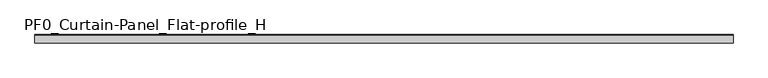
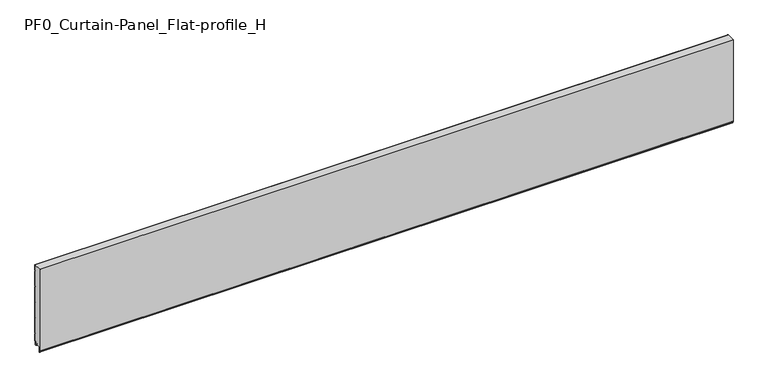
"""IFC4 building model written with IfcOpenShell, lengths in millimetres: plate geometry, PF0_Curtain-Panel_Flat-profile_H."""

from ifc_helpers import new_model, si_unit, point, frame, frame_2d, origin, place, context, project, spatial, polyline, circle_curve, trimmed, segment, composite_curve, outline, extrude, source, transform, mapped, element, save


def pf0_curtain_panel_flat_profile_h_b725378d(model_context):
    return source(origin(), model_context, "Body", "SweptSolid", [
        extrude(outline(composite_curve([segment(polyline([(-15.878557, 0.0), (-20.0, 0.0), (-20.0, 0.8), (-15.878557, 0.8)]), True, "CONTINUOUS"), segment(trimmed(circle_curve(frame_2d((-15.878557, -2.0)), 2.8), [point((-15.878557, 0.8))], [point((-13.1503208, -1.370137))], False, "CARTESIAN"), True, "CONTINUOUS"), segment(polyline([(-13.1503208, -1.370137), (-11.728236, -7.529863)]), True, "CONTINUOUS"), segment(trimmed(circle_curve(frame_2d((-9.0, -6.9)), 2.8), [point((-11.728236, -7.529863))], [point((-6.2, -6.9))], True, "CARTESIAN"), True, "CONTINUOUS"), segment(polyline([(-6.2, -6.9), (-6.2, 8.6)]), True, "CONTINUOUS"), segment(trimmed(circle_curve(frame_2d((-3.4, 8.6)), 2.8), [point((-6.2, 8.6))], [point((-3.4, 11.4))], False, "CARTESIAN"), True, "CONTINUOUS"), segment(polyline([(-3.4, 11.4), (-2.0, 11.4)]), True, "CONTINUOUS"), segment(trimmed(circle_curve(frame_2d((-2.0, 12.6)), 1.2), [point((-2.0, 11.4))], [point((-0.8, 12.6))], True, "CARTESIAN"), True, "CONTINUOUS"), segment(polyline([(-0.8, 12.6), (-0.8, 57.6856412), (-2.482606, 60.6), (-0.8, 63.5143588), (-0.8, 157.6856412), (-2.482606, 160.6), (-0.8, 163.5143588), (-0.8, 257.6856412), (-2.482606, 260.6), (-0.8, 263.5143588), (-0.8, 357.6856412), (-2.482606, 360.6), (-0.8, 363.5143588), (-0.8, 457.6856412), (-2.482606, 460.6), (-0.8, 463.5143588), (-0.8, 500.0), (0.0, 500.0), (0.0, 463.2999995), (-1.5588455, 460.6), (0.0, 457.9000005), (0.0, 363.2999995), (-1.5588455, 360.6), (0.0, 357.9000005), (0.0, 263.2999995), (-1.5588455, 260.6), (0.0, 257.9000005), (0.0, 163.2999995), (-1.5588455, 160.6), (0.0, 157.9000005), (0.0, 63.2999995), (-1.5588455, 60.6), (0.0, 57.9000005), (0.0, 12.6)]), True, "CONTINUOUS"), segment(trimmed(circle_curve(frame_2d((-2.0, 12.6)), 2.0), [point((0.0, 12.6))], [point((-2.0, 10.6))], False, "CARTESIAN"), True, "CONTINUOUS"), segment(polyline([(-2.0, 10.6), (-3.4, 10.6)]), True, "CONTINUOUS"), segment(trimmed(circle_curve(frame_2d((-3.4, 8.6)), 2.0), [point((-3.4, 10.6))], [point((-5.4, 8.6))], True, "CARTESIAN"), True, "CONTINUOUS"), segment(polyline([(-5.4, 8.6), (-5.4, -6.9)]), True, "CONTINUOUS"), segment(trimmed(circle_curve(frame_2d((-9.0, -6.9)), 3.6), [point((-5.4, -6.9))], [point((-12.5077322, -7.7098239))], False, "CARTESIAN"), True, "CONTINUOUS"), segment(polyline([(-12.5077322, -7.7098239), (-13.929817, -1.5500979)]), True, "CONTINUOUS"), segment(trimmed(circle_curve(frame_2d((-15.878557, -2.0)), 2.0), [point((-13.929817, -1.5500979))], [point((-15.878557, 0.0))], True, "CARTESIAN"), True, "CONTINUOUS")], self_intersect=False)), frame((-2100.0119739, 0.0, 0.0), z_axis=(1.0, 0.0, 0.0), x_axis=(0.0, 1.0, 0.0)), (0.0, 0.0, 1.0), 4200.0239479),
        extrude(outline(composite_curve([segment(polyline([(-40.0, 0.8), (-43.5, 0.8)]), True, "CONTINUOUS"), segment(trimmed(circle_curve(frame_2d((-43.5, -2.0)), 2.8), [point((-43.5, 0.8))], [point((-46.3, -2.0))], True, "CARTESIAN"), True, "CONTINUOUS"), segment(polyline([(-46.3, -2.0), (-46.3, -32.8700312)]), True, "CONTINUOUS"), segment(trimmed(circle_curve(frame_2d((-46.6, -32.8700312)), 0.3), [point((-46.3, -32.8700312))], [point((-46.9, -32.8700312))], False, "CARTESIAN"), True, "CONTINUOUS"), segment(polyline([(-46.9, -32.8700312), (-46.9, -26.9)]), True, "CONTINUOUS"), segment(trimmed(circle_curve(frame_2d((-48.6133333, -26.9)), 1.7133333), [point((-46.9, -26.9))], [point((-48.4, -25.2))], True, "CARTESIAN"), True, "CONTINUOUS"), segment(trimmed(circle_curve(frame_2d((-48.4, -24.4)), 0.8), [point((-48.4, -25.2))], [point((-49.2, -24.4))], False, "CARTESIAN"), True, "CONTINUOUS"), segment(polyline([(-49.2, -24.4), (-49.2, 500.0), (-0.8, 500.0), (-0.8, 463.5143588), (-2.482606, 460.6), (-0.8, 457.6856412), (-0.8, 363.5143588), (-2.482606, 360.6), (-0.8, 357.6856412), (-0.8, 263.5143588), (-2.482606, 260.6), (-0.8, 257.6856412), (-0.8, 163.5143588), (-2.482606, 160.6), (-0.8, 157.6856412), (-0.8, 63.5143588), (-2.482606, 60.6), (-0.8, 57.6856412), (-0.8, 12.6)]), True, "CONTINUOUS"), segment(trimmed(circle_curve(frame_2d((-2.0, 12.6)), 1.2), [point((-0.8, 12.6))], [point((-2.0, 11.4))], False, "CARTESIAN"), True, "CONTINUOUS"), segment(polyline([(-2.0, 11.4), (-3.4, 11.4)]), True, "CONTINUOUS"), segment(trimmed(circle_curve(frame_2d((-3.4, 8.6)), 2.8), [point((-3.4, 11.4))], [point((-6.2, 8.6))], True, "CARTESIAN"), True, "CONTINUOUS"), segment(polyline([(-6.2, 8.6), (-6.2, -6.9)]), True, "CONTINUOUS"), segment(trimmed(circle_curve(frame_2d((-9.0, -6.9)), 2.8), [point((-6.2, -6.9))], [point((-11.7282362, -7.529863))], False, "CARTESIAN"), True, "CONTINUOUS"), segment(polyline([(-11.7282362, -7.529863), (-13.1503208, -1.370137)]), True, "CONTINUOUS"), segment(trimmed(circle_curve(frame_2d((-15.878557, -2.0)), 2.8), [point((-13.1503208, -1.370137))], [point((-15.878557, 0.8))], True, "CARTESIAN"), True, "CONTINUOUS"), segment(polyline([(-15.878557, 0.8), (-20.0, 0.8), (-20.0, 0.0), (-40.0, 0.0), (-40.0, 0.8)]), True, "CONTINUOUS")], self_intersect=False)), frame((-2100.0119739, 0.0, 0.0), z_axis=(1.0, 0.0, 0.0), x_axis=(0.0, 1.0, 0.0)), (0.0, 0.0, 1.0), 4200.0239479),
        extrude(outline(composite_curve([segment(polyline([(-40.0, 0.0), (-43.5, 0.0)]), True, "CONTINUOUS"), segment(trimmed(circle_curve(frame_2d((-43.5, -2.0)), 2.0), [point((-43.5, 0.0))], [point((-45.5, -2.0))], True, "CARTESIAN"), True, "CONTINUOUS"), segment(polyline([(-45.5, -2.0), (-45.5, -33.0)]), True, "CONTINUOUS"), segment(trimmed(circle_curve(frame_2d((-46.5, -33.0)), 1.0), [point((-45.5, -33.0))], [point((-47.5, -33.0))], False, "CARTESIAN"), True, "CONTINUOUS"), segment(polyline([(-47.5, -33.0), (-47.5, -26.9)]), True, "CONTINUOUS"), segment(trimmed(circle_curve(frame_2d((-48.4, -26.9)), 0.9), [point((-47.5, -26.9))], [point((-48.4, -26.0))], True, "CARTESIAN"), True, "CONTINUOUS"), segment(trimmed(circle_curve(frame_2d((-48.4, -24.4)), 1.6), [point((-48.4, -26.0))], [point((-50.0, -24.4))], False, "CARTESIAN"), True, "CONTINUOUS"), segment(polyline([(-50.0, -24.4), (-50.0, 500.0), (-49.2, 500.0), (-49.2, -24.4)]), True, "CONTINUOUS"), segment(trimmed(circle_curve(frame_2d((-48.4, -24.4)), 0.8), [point((-49.2, -24.4))], [point((-48.4, -25.2))], True, "CARTESIAN"), True, "CONTINUOUS"), segment(trimmed(circle_curve(frame_2d((-48.6133333, -26.9)), 1.7133333), [point((-48.4, -25.2))], [point((-46.9, -26.9))], False, "CARTESIAN"), True, "CONTINUOUS"), segment(polyline([(-46.9, -26.9), (-46.9, -32.8700312)]), True, "CONTINUOUS"), segment(trimmed(circle_curve(frame_2d((-46.6, -32.8700312)), 0.3), [point((-46.9, -32.8700312))], [point((-46.3, -32.8700312))], True, "CARTESIAN"), True, "CONTINUOUS"), segment(polyline([(-46.3, -32.8700312), (-46.3, -2.0)]), True, "CONTINUOUS"), segment(trimmed(circle_curve(frame_2d((-43.5, -2.0)), 2.8), [point((-46.3, -2.0))], [point((-43.5, 0.8))], False, "CARTESIAN"), True, "CONTINUOUS"), segment(polyline([(-43.5, 0.8), (-40.0, 0.8), (-40.0, 0.0)]), True, "CONTINUOUS")], self_intersect=False)), frame((-2100.0119739, 0.0, 0.0), z_axis=(1.0, 0.0, 0.0), x_axis=(0.0, 1.0, 0.0)), (0.0, 0.0, 1.0), 4200.0239479),
    ])


if __name__ == "__main__":
    model = new_model("IFC4")
    model_context = context("Model", 3, world=origin())
    ifc_project = project(units=[si_unit("LENGTHUNIT", "METRE", prefix="MILLI")], contexts=[model_context])
    site = spatial("IfcSite", under=ifc_project)
    building = spatial("IfcBuilding", under=site)
    placement = place(None, origin())
    pf0_curtain_panel_flat_profile_h_shape = pf0_curtain_panel_flat_profile_h_b725378d(model_context)
    element("IfcPlate", 1, ObjectType="PF0_Curtain-Panel_Flat-profile_H", at=placement, inside=building, context=model_context, shape_type="MappedRepresentation", body=[
        mapped(pf0_curtain_panel_flat_profile_h_shape, transform((0.0, 0.0, 0.0), x_axis=(1.0, 0.0, 0.0), y_axis=(0.0, 1.0, 0.0), z_axis=(0.0, 0.0, 1.0))),
    ])
    save(model, "model.ifc")
